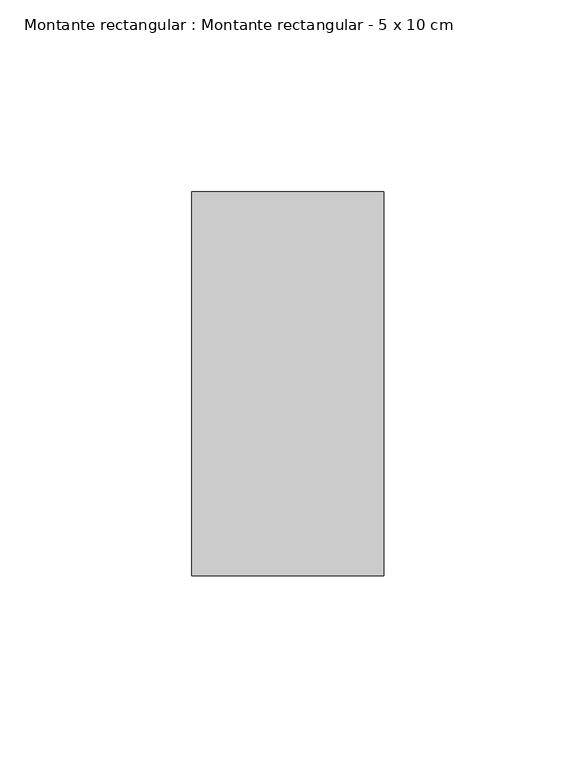
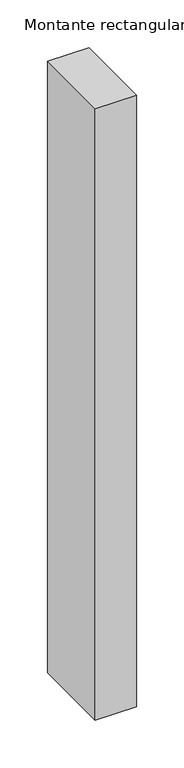
"""IFC4 building model written with IfcOpenShell, lengths in millimetres: member geometry, Montante rectangular : Montante rectangular - 5 x 10 cm."""

from ifc_helpers import new_model, si_unit, frame, origin, place, context, project, spatial, polyline, outline, extrude, source, transform, mapped, element, save


def montante_rectangular_montante_rectangular_5_x_10_cm_33443096(model_context):
    return source(origin(), model_context, "Body", "SweptSolid", [
        extrude(outline(polyline([(-50.0, 50.0), (0.0, 50.0), (0.0, -50.0), (-50.0, -50.0), (-50.0, 50.0)])), frame((0.0, 0.0, -782.3333333), z_axis=(0.0, 0.0, 1.0), x_axis=(1.0, 0.0, 0.0)), (0.0, 0.0, 1.0), 782.3333333),
    ])


if __name__ == "__main__":
    model = new_model("IFC4")
    model_context = context("Model", 3, world=origin())
    ifc_project = project(units=[si_unit("LENGTHUNIT", "METRE", prefix="MILLI")], contexts=[model_context])
    site = spatial("IfcSite", under=ifc_project)
    building = spatial("IfcBuilding", under=site)
    placement = place(None, origin())
    montante_rectangular_montante_rectangular_5_x_10_cm_shape = montante_rectangular_montante_rectangular_5_x_10_cm_33443096(model_context)
    element("IfcMember", 1, ObjectType="Montante rectangular : Montante rectangular - 5 x 10 cm", at=placement, inside=building, context=model_context, shape_type="MappedRepresentation", body=[
        mapped(montante_rectangular_montante_rectangular_5_x_10_cm_shape, transform((0.0, 0.0, 0.0), x_axis=(1.0, 0.0, 0.0), y_axis=(0.0, 1.0, 0.0), z_axis=(0.0, 0.0, 1.0))),
    ])
    save(model, "model.ifc")
